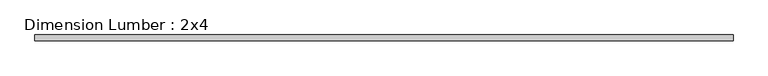
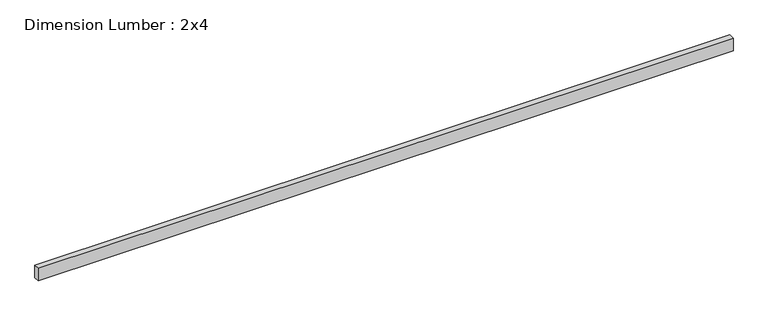
"""IFC4 building model written with IfcOpenShell, lengths in millimetres: beam geometry, Dimension Lumber : 2x4."""

from ifc_helpers import new_model, si_unit, frame, origin, place, context, project, spatial, polyline, outline, extrude, source, transform, mapped, element, save


def dimension_lumber_2x4_7a92244e(model_context):
    return source(origin(), model_context, "Body", "SweptSolid", [
        extrude(outline(polyline([(2276.4000818, 19.05), (2276.4000818, -19.05), (-2337.8398377, -19.05), (-2337.8398377, 19.05), (2276.4000818, 19.05)])), frame((0.0, 0.0, -44.45), z_axis=(0.0, 0.0, 1.0), x_axis=(1.0, 0.0, 0.0)), (0.0, 0.0, 1.0), 88.9),
    ])


if __name__ == "__main__":
    model = new_model("IFC4")
    model_context = context("Model", 3, world=origin())
    ifc_project = project(units=[si_unit("LENGTHUNIT", "METRE", prefix="MILLI")], contexts=[model_context])
    site = spatial("IfcSite", under=ifc_project)
    building = spatial("IfcBuilding", under=site)
    placement = place(None, origin())
    dimension_lumber_2x4_shape = dimension_lumber_2x4_7a92244e(model_context)
    element("IfcBeam", 1, ObjectType="Dimension Lumber : 2x4", at=placement, inside=building, context=model_context, shape_type="MappedRepresentation", body=[
        mapped(dimension_lumber_2x4_shape, transform((0.0, 0.0, 0.0), x_axis=(1.0, 0.0, 0.0), y_axis=(0.0, 1.0, 0.0), z_axis=(0.0, 0.0, 1.0))),
    ])
    save(model, "model.ifc")
